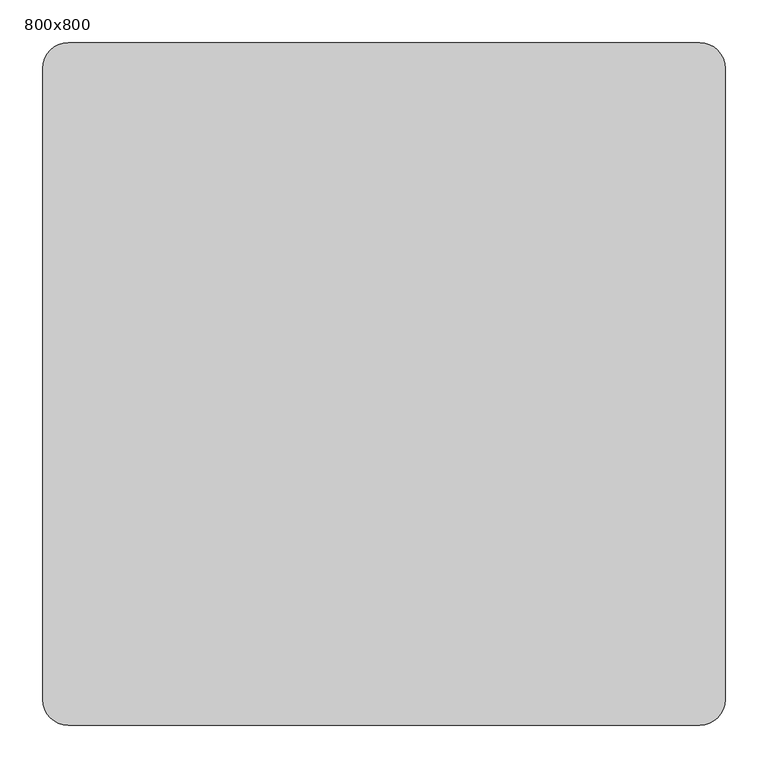
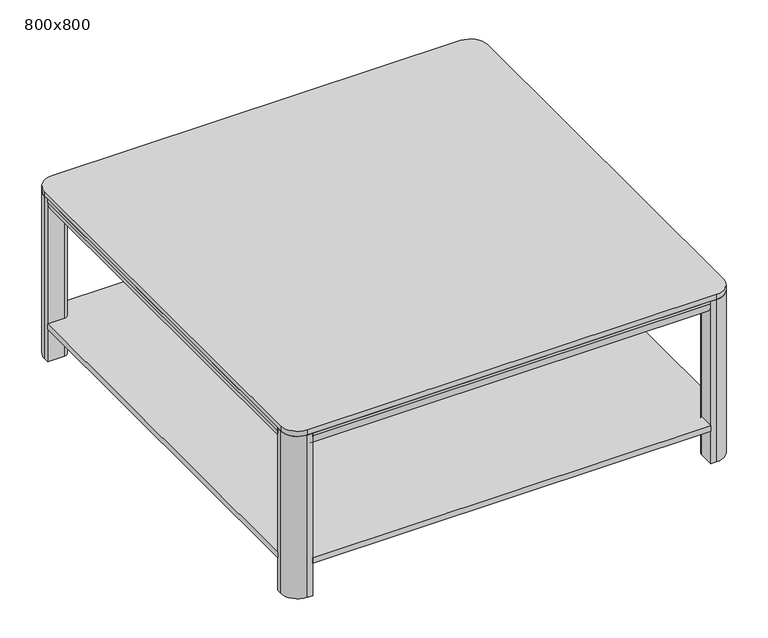
"""IFC4 building model written with IfcOpenShell, lengths in millimetres: furniture geometry, 800x800."""

from ifc_helpers import new_model, si_unit, point, frame, frame_2d, origin, origin_with_axes, place, context, project, spatial, polyline, circle_curve, trimmed, segment, composite_curve, outline, extrude, source, transform, mapped, element, save


def furniture_800x800_9f5d2790(model_context):
    return source(origin(), model_context, "Body", "SweptSolid", [
        extrude(outline(polyline([(703.5319626, -770.0), (770.0, -703.5319626), (770.0, -738.8873016), (738.8873016, -770.0), (703.5319626, -770.0)])), frame((0.0, 0.0, 280.0), z_axis=(0.0, 0.0, 1.0), x_axis=(1.0, 0.0, 0.0)), (0.0, 0.0, 1.0), 30.0),
        extrude(outline(polyline([(96.4680374, -770.0), (61.1126984, -770.0), (30.0, -738.8873016), (30.0, -703.5319626), (96.4680374, -770.0)])), frame((0.0, 0.0, 280.0), z_axis=(0.0, 0.0, 1.0), x_axis=(1.0, 0.0, 0.0)), (0.0, 0.0, 1.0), 30.0),
        extrude(outline(polyline([(703.5319626, -30.0), (738.8873016, -30.0), (770.0, -61.1126984), (770.0, -96.4680374), (703.5319626, -30.0)])), frame((0.0, 0.0, 280.0), z_axis=(0.0, 0.0, 1.0), x_axis=(1.0, 0.0, 0.0)), (0.0, 0.0, 1.0), 30.0),
        extrude(outline(polyline([(96.4680374, -30.0), (30.0, -96.4680374), (30.0, -61.1126984), (61.1126984, -30.0), (96.4680374, -30.0)])), frame((0.0, 0.0, 280.0), z_axis=(0.0, 0.0, 1.0), x_axis=(1.0, 0.0, 0.0)), (0.0, 0.0, 1.0), 30.0),
        extrude(outline(composite_curve([segment(polyline([(-30.0, 310.0), (0.0, 310.0), (0.0, 305.0)]), True, "CONTINUOUS"), segment(trimmed(circle_curve(frame_2d((-25.0, 305.0)), 25.0), [point((0.0, 305.0))], [point((-25.0, 280.0))], False, "CARTESIAN"), True, "CONTINUOUS"), segment(polyline([(-25.0, 280.0), (-30.0, 280.0), (-30.0, 310.0)]), True, "CONTINUOUS")], self_intersect=False)), frame((40.0, 0.0, 0.0), z_axis=(1.0, 0.0, 0.0), x_axis=(0.0, 1.0, 0.0)), (0.0, 0.0, 1.0), 720.0),
        extrude(outline(composite_curve([segment(polyline([(310.0, 30.0), (310.0, 0.0), (305.0, 0.0)]), True, "CONTINUOUS"), segment(trimmed(circle_curve(frame_2d((305.0, 25.0)), 25.0), [point((305.0, 0.0))], [point((280.0, 25.0))], False, "CARTESIAN"), True, "CONTINUOUS"), segment(polyline([(280.0, 25.0), (280.0, 30.0), (310.0, 30.0)]), True, "CONTINUOUS")], self_intersect=False)), frame((0.0, -760.0, 0.0), z_axis=(0.0, 1.0, 0.0), x_axis=(0.0, 0.0, 1.0)), (0.0, 0.0, 1.0), 720.0),
        extrude(outline(composite_curve([segment(polyline([(760.0, 0.0), (760.0, -30.0)]), True, "CONTINUOUS"), segment(trimmed(circle_curve(frame_2d((770.0, -30.0)), 10.0), [point((760.0, -30.0))], [point((770.0, -40.0))], True, "CARTESIAN"), True, "CONTINUOUS"), segment(polyline([(770.0, -40.0), (800.0, -40.0), (800.0, -760.0), (770.0, -760.0)]), True, "CONTINUOUS"), segment(trimmed(circle_curve(frame_2d((770.0, -770.0)), 10.0), [point((770.0, -760.0))], [point((760.0, -770.0))], True, "CARTESIAN"), True, "CONTINUOUS"), segment(polyline([(760.0, -770.0), (760.0, -800.0), (40.0, -800.0), (40.0, -770.0)]), True, "CONTINUOUS"), segment(trimmed(circle_curve(frame_2d((30.0, -770.0)), 10.0), [point((40.0, -770.0))], [point((30.0, -760.0))], True, "CARTESIAN"), True, "CONTINUOUS"), segment(polyline([(30.0, -760.0), (0.0, -760.0), (0.0, -40.0), (30.0, -40.0)]), True, "CONTINUOUS"), segment(trimmed(circle_curve(frame_2d((30.0, -30.0)), 10.0), [point((30.0, -40.0))], [point((40.0, -30.0))], True, "CARTESIAN"), True, "CONTINUOUS"), segment(polyline([(40.0, -30.0), (40.0, 0.0), (760.0, 0.0)]), True, "CONTINUOUS")], self_intersect=False)), frame((0.0, 0.0, 62.0), z_axis=(0.0, 0.0, 1.0), x_axis=(1.0, 0.0, 0.0)), (0.0, 0.0, 1.0), 10.0),
        extrude(outline(polyline([(703.5319626, -770.0), (770.0, -703.5319626), (770.0, -738.8873016), (738.8873016, -770.0), (703.5319626, -770.0)])), frame((0.0, 0.0, 280.0), z_axis=(0.0, 0.0, 1.0), x_axis=(1.0, 0.0, 0.0)), (0.0, 0.0, 1.0), 30.0),
        extrude(outline(polyline([(96.4680374, -770.0), (61.1126984, -770.0), (30.0, -738.8873016), (30.0, -703.5319626), (96.4680374, -770.0)])), frame((0.0, 0.0, 280.0), z_axis=(0.0, 0.0, 1.0), x_axis=(1.0, 0.0, 0.0)), (0.0, 0.0, 1.0), 30.0),
        extrude(outline(polyline([(703.5319626, -30.0), (738.8873016, -30.0), (770.0, -61.1126984), (770.0, -96.4680374), (703.5319626, -30.0)])), frame((0.0, 0.0, 280.0), z_axis=(0.0, 0.0, 1.0), x_axis=(1.0, 0.0, 0.0)), (0.0, 0.0, 1.0), 30.0),
        extrude(outline(polyline([(96.4680374, -30.0), (30.0, -96.4680374), (30.0, -61.1126984), (61.1126984, -30.0), (96.4680374, -30.0)])), frame((0.0, 0.0, 280.0), z_axis=(0.0, 0.0, 1.0), x_axis=(1.0, 0.0, 0.0)), (0.0, 0.0, 1.0), 30.0),
        extrude(outline(composite_curve([segment(polyline([(760.0, -800.0), (760.0, -770.0)]), True, "CONTINUOUS"), segment(trimmed(circle_curve(frame_2d((770.0, -770.0)), 10.0), [point((760.0, -770.0))], [point((770.0, -760.0))], False, "CARTESIAN"), True, "CONTINUOUS"), segment(polyline([(770.0, -760.0), (800.0, -760.0), (800.0, -770.0)]), True, "CONTINUOUS"), segment(trimmed(circle_curve(frame_2d((770.0, -770.0)), 30.0), [point((800.0, -770.0))], [point((770.0, -800.0))], False, "CARTESIAN"), True, "CONTINUOUS"), segment(polyline([(770.0, -800.0), (760.0, -800.0)]), True, "CONTINUOUS")], self_intersect=False)), origin_with_axes(), (0.0, 0.0, 1.0), 310.0),
        extrude(outline(composite_curve([segment(polyline([(40.0, -800.0), (30.0, -800.0)]), True, "CONTINUOUS"), segment(trimmed(circle_curve(frame_2d((30.0, -770.0)), 30.0), [point((30.0, -800.0))], [point((0.0, -770.0))], False, "CARTESIAN"), True, "CONTINUOUS"), segment(polyline([(0.0, -770.0), (0.0, -760.0), (30.0, -760.0)]), True, "CONTINUOUS"), segment(trimmed(circle_curve(frame_2d((30.0, -770.0)), 10.0), [point((30.0, -760.0))], [point((40.0, -770.0))], False, "CARTESIAN"), True, "CONTINUOUS"), segment(polyline([(40.0, -770.0), (40.0, -800.0)]), True, "CONTINUOUS")], self_intersect=False)), origin_with_axes(), (0.0, 0.0, 1.0), 310.0),
        extrude(outline(composite_curve([segment(polyline([(760.0, 0.0), (770.0, 0.0)]), True, "CONTINUOUS"), segment(trimmed(circle_curve(frame_2d((770.0, -30.0)), 30.0), [point((770.0, 0.0))], [point((800.0, -30.0))], False, "CARTESIAN"), True, "CONTINUOUS"), segment(polyline([(800.0, -30.0), (800.0, -40.0), (770.0, -40.0)]), True, "CONTINUOUS"), segment(trimmed(circle_curve(frame_2d((770.0, -30.0)), 10.0), [point((770.0, -40.0))], [point((760.0, -30.0))], False, "CARTESIAN"), True, "CONTINUOUS"), segment(polyline([(760.0, -30.0), (760.0, 0.0)]), True, "CONTINUOUS")], self_intersect=False)), origin_with_axes(), (0.0, 0.0, 1.0), 310.0),
        extrude(outline(composite_curve([segment(polyline([(40.0, 0.0), (40.0, -30.0)]), True, "CONTINUOUS"), segment(trimmed(circle_curve(frame_2d((30.0, -30.0)), 10.0), [point((40.0, -30.0))], [point((30.0, -40.0))], False, "CARTESIAN"), True, "CONTINUOUS"), segment(polyline([(30.0, -40.0), (0.0, -40.0), (0.0, -30.0)]), True, "CONTINUOUS"), segment(trimmed(circle_curve(frame_2d((30.0, -30.0)), 30.0), [point((0.0, -30.0))], [point((30.0, 0.0))], False, "CARTESIAN"), True, "CONTINUOUS"), segment(polyline([(30.0, 0.0), (40.0, 0.0)]), True, "CONTINUOUS")], self_intersect=False)), origin_with_axes(), (0.0, 0.0, 1.0), 310.0),
        extrude(outline(composite_curve([segment(polyline([(-770.0, 310.0), (-770.0, 280.0), (-775.0, 280.0)]), True, "CONTINUOUS"), segment(trimmed(circle_curve(frame_2d((-775.0, 305.0)), 25.0), [point((-775.0, 280.0))], [point((-800.0, 305.0))], False, "CARTESIAN"), True, "CONTINUOUS"), segment(polyline([(-800.0, 305.0), (-800.0, 310.0), (-770.0, 310.0)]), True, "CONTINUOUS")], self_intersect=False)), frame((40.0, 0.0, 0.0), z_axis=(1.0, 0.0, 0.0), x_axis=(0.0, 1.0, 0.0)), (0.0, 0.0, 1.0), 720.0),
        extrude(outline(composite_curve([segment(polyline([(310.0, 770.0), (280.0, 770.0), (280.0, 775.0)]), True, "CONTINUOUS"), segment(trimmed(circle_curve(frame_2d((305.0, 775.0)), 25.0), [point((280.0, 775.0))], [point((305.0, 800.0))], False, "CARTESIAN"), True, "CONTINUOUS"), segment(polyline([(305.0, 800.0), (310.0, 800.0), (310.0, 770.0)]), True, "CONTINUOUS")], self_intersect=False)), frame((0.0, -760.0, 0.0), z_axis=(0.0, 1.0, 0.0), x_axis=(0.0, 0.0, 1.0)), (0.0, 0.0, 1.0), 720.0),
        extrude(outline(composite_curve([segment(trimmed(circle_curve(frame_2d((770.0, -30.0)), 30.0), [point((770.0, 0.0))], [point((800.0, -30.0))], False, "CARTESIAN"), True, "CONTINUOUS"), segment(polyline([(800.0, -30.0), (800.0, -770.0)]), True, "CONTINUOUS"), segment(trimmed(circle_curve(frame_2d((770.0, -770.0)), 30.0), [point((800.0, -770.0))], [point((770.0, -800.0))], False, "CARTESIAN"), True, "CONTINUOUS"), segment(polyline([(770.0, -800.0), (30.0, -800.0)]), True, "CONTINUOUS"), segment(trimmed(circle_curve(frame_2d((30.0, -770.0)), 30.0), [point((30.0, -800.0))], [point((0.0, -770.0))], False, "CARTESIAN"), True, "CONTINUOUS"), segment(polyline([(0.0, -770.0), (0.0, -30.0)]), True, "CONTINUOUS"), segment(trimmed(circle_curve(frame_2d((30.0, -30.0)), 30.0), [point((0.0, -30.0))], [point((30.0, 0.0))], False, "CARTESIAN"), True, "CONTINUOUS"), segment(polyline([(30.0, 0.0), (770.0, 0.0)]), True, "CONTINUOUS")], self_intersect=False)), frame((0.0, 0.0, 310.0), z_axis=(0.0, 0.0, 1.0), x_axis=(1.0, 0.0, 0.0)), (0.0, 0.0, 1.0), 10.0),
    ])


if __name__ == "__main__":
    model = new_model("IFC4")
    model_context = context("Model", 3, world=origin())
    ifc_project = project(units=[si_unit("LENGTHUNIT", "METRE", prefix="MILLI")], contexts=[model_context])
    site = spatial("IfcSite", under=ifc_project)
    building = spatial("IfcBuilding", under=site)
    placement = place(None, origin())
    furniture_800x800_shape = furniture_800x800_9f5d2790(model_context)
    element("IfcFurniture", 1, ObjectType="800x800", at=placement, inside=building, context=model_context, shape_type="MappedRepresentation", body=[
        mapped(furniture_800x800_shape, transform((0.0, 0.0, 0.0), x_axis=(1.0, 0.0, 0.0), y_axis=(0.0, 1.0, 0.0), z_axis=(0.0, 0.0, 1.0))),
    ])
    save(model, "model.ifc")
